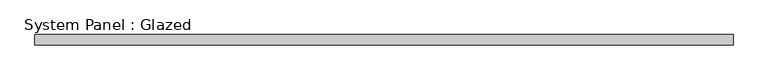
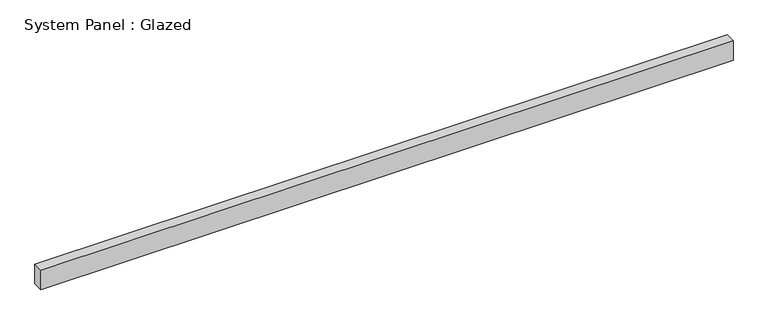
"""IFC4 building model written with IfcOpenShell, lengths in millimetres: plate geometry, System Panel : Glazed."""

from ifc_helpers import new_model, si_unit, origin, origin_with_axes, place, context, project, spatial, polyline, outline, extrude, source, transform, mapped, element, save


def system_panel_glazed_638a4dce(model_context):
    return source(origin(), model_context, "Body", "SweptSolid", [
        extrude(outline(polyline([(850.9, 19.05), (-850.9, 19.05), (-850.9, 44.45), (850.9, 44.45), (850.9, 19.05)])), origin_with_axes(), (0.0, 0.0, 1.0), 50.8),
    ])


if __name__ == "__main__":
    model = new_model("IFC4")
    model_context = context("Model", 3, world=origin())
    ifc_project = project(units=[si_unit("LENGTHUNIT", "METRE", prefix="MILLI")], contexts=[model_context])
    site = spatial("IfcSite", under=ifc_project)
    building = spatial("IfcBuilding", under=site)
    placement = place(None, origin())
    system_panel_glazed_shape = system_panel_glazed_638a4dce(model_context)
    element("IfcPlate", 1, ObjectType="System Panel : Glazed", at=placement, inside=building, context=model_context, shape_type="MappedRepresentation", body=[
        mapped(system_panel_glazed_shape, transform((0.0, 0.0, 0.0), x_axis=(1.0, 0.0, 0.0), y_axis=(0.0, 1.0, 0.0), z_axis=(0.0, 0.0, 1.0))),
    ])
    save(model, "model.ifc")
